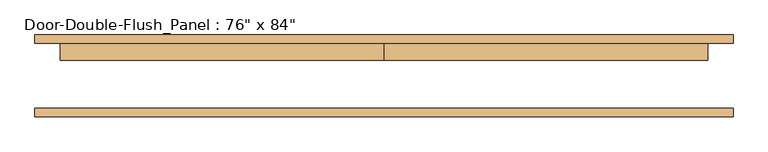
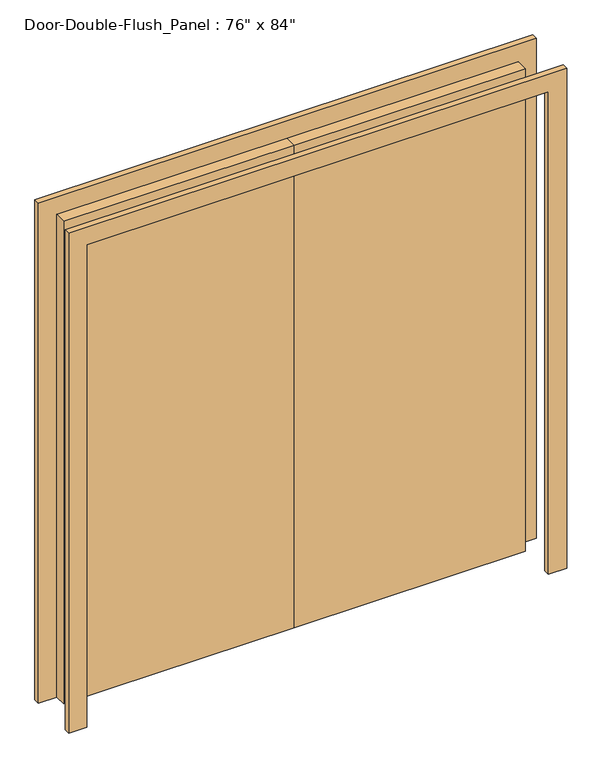
"""IFC4 building model written with IfcOpenShell, lengths in millimetres: door geometry."""

from ifc_helpers import new_model, si_unit, frame, origin, origin_with_axes, place, context, project, spatial, polyline, outline, extrude, source, transform, mapped, element, save


def door_d2c1261c(model_context):
    return source(origin(), model_context, "Body", "SweptSolid", [
        extrude(outline(polyline([(2133.6, -965.2), (2133.6, 965.2), (0.0, 965.2), (0.0, 1041.4), (2209.8, 1041.4), (2209.8, -1041.4), (0.0, -1041.4), (0.0, -965.2), (2133.6, -965.2)])), frame((0.0, -122.2375, 0.0), z_axis=(0.0, 1.0, 0.0), x_axis=(0.0, 0.0, 1.0)), (0.0, 0.0, 1.0), 25.4),
        extrude(outline(polyline([(2133.6, -965.2), (2133.6, 965.2), (0.0, 965.2), (0.0, 1041.4), (2209.8, 1041.4), (2209.8, -1041.4), (0.0, -1041.4), (0.0, -965.2), (2133.6, -965.2)])), frame((0.0, 96.8375, 0.0), z_axis=(0.0, 1.0, 0.0), x_axis=(0.0, 0.0, 1.0)), (0.0, 0.0, 1.0), 25.4),
        extrude(outline(polyline([(0.0, 96.8375), (965.2, 96.8375), (965.2, 46.0375), (0.0, 46.0375), (0.0, 96.8375)])), origin_with_axes(), (0.0, 0.0, 1.0), 2133.6),
        extrude(outline(polyline([(-965.2, 96.8375), (0.0, 96.8375), (0.0, 46.0375), (-965.2, 46.0375), (-965.2, 96.8375)])), origin_with_axes(), (0.0, 0.0, 1.0), 2133.6),
    ])


if __name__ == "__main__":
    model = new_model("IFC4")
    model_context = context("Model", 3, world=origin())
    ifc_project = project(units=[si_unit("LENGTHUNIT", "METRE", prefix="MILLI")], contexts=[model_context])
    site = spatial("IfcSite", under=ifc_project)
    building = spatial("IfcBuilding", under=site)
    placement = place(None, origin())
    door_shape = door_d2c1261c(model_context)
    element("IfcDoor", 1, ObjectType="Door-Double-Flush_Panel : 76\" x 84\"", at=placement, inside=building, context=model_context, shape_type="MappedRepresentation", body=[
        mapped(door_shape, transform((0.0, 0.0, 0.0), x_axis=(1.0, 0.0, 0.0), y_axis=(0.0, 1.0, 0.0), z_axis=(0.0, 0.0, 1.0))),
    ])
    save(model, "model.ifc")
